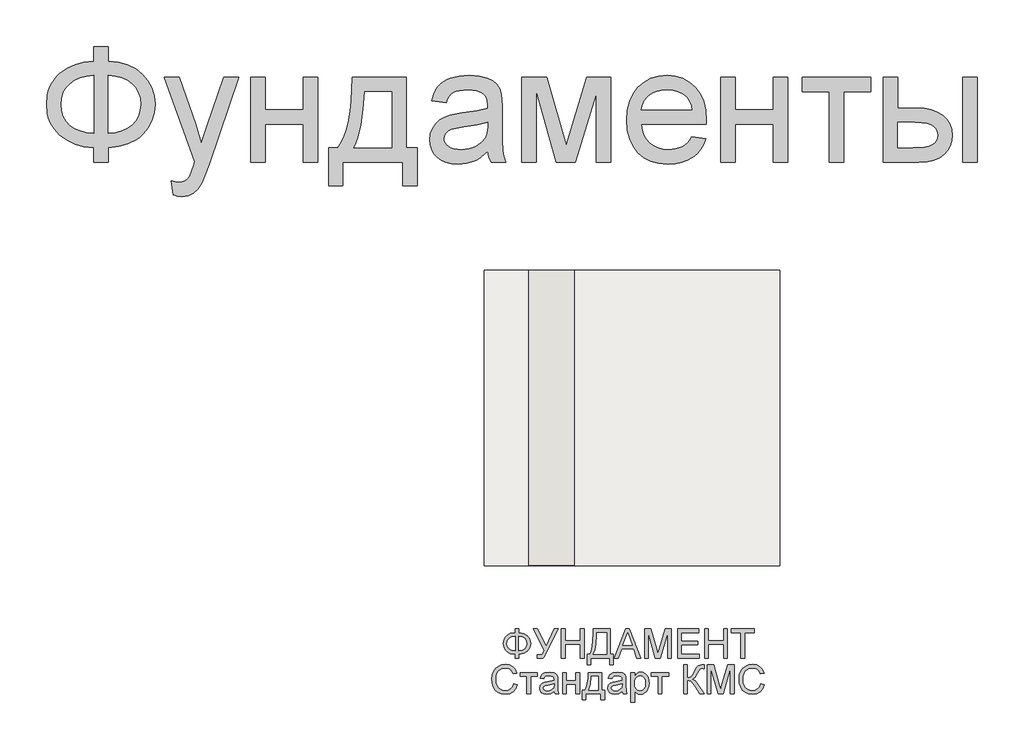
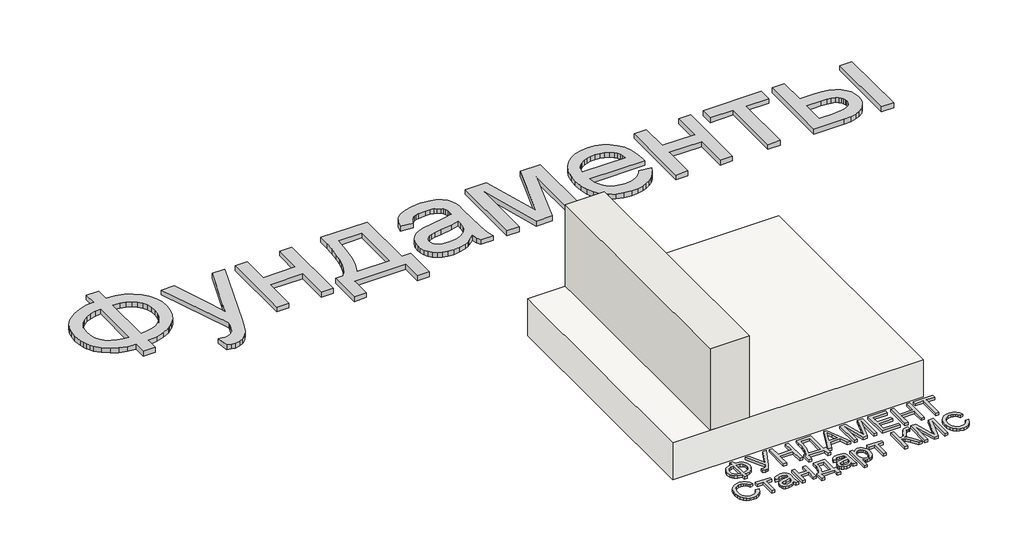
# One storey: 2 proxies, 1 slab, 1 wall.
"""IFC4 building model written with IfcOpenShell, lengths in millimetres."""

from ifc_helpers import new_model, si_unit, origin, origin_with_axes, place, context, project, spatial, polyline, outline, extrude, faceted_brep, element, save

model = new_model("IFC4")

# Units and contexts
model_context = context("Model", 3, world=origin())
ifc_project = project(units=[si_unit("LENGTHUNIT", "METRE", prefix="MILLI")], contexts=[model_context])

# Site, building, storey
site = spatial("IfcSite", under=ifc_project)
building = spatial("IfcBuilding", under=site)
storey = spatial("IfcBuildingStorey", under=building, Elevation=0.0)

# Proxies
placement = place(None, origin())
element("IfcBuildingElementProxy", 1, Name="Generic Models", at=placement, inside=storey, context=model_context, shape_type="SweptSolid", body=[
    extrude(outline(polyline([(-1939.8736325, -26885.7211043), (-1939.8736325, -26787.7817103), (-1841.9342386, -26787.7817103), (-1841.9342386, -26885.7211043), (-1772.0723186, -26894.3529698), (-1709.9695132, -26912.2144755), (-1655.6258224, -26939.3056213), (-1609.0412461, -26975.6264073), (-1571.6743546, -27019.0607113), (-1544.9837177, -27067.4924111), (-1528.9693356, -27120.9215067), (-1523.6312083, -27179.3479982), (-1528.8019587, -27236.6028514), (-1544.3142102, -27289.3863505), (-1570.1679625, -27337.6984954), (-1606.3632158, -27381.5392861), (-1628.1416397, -27401.1761824), (-1652.1109076, -27418.4817577), (-1706.6219753, -27446.0989452), (-1769.896419, -27464.3908486), (-1841.9342386, -27473.3574679), (-1841.9342386, -27571.2968619), (-1939.8736325, -27571.2968619), (-1939.8736325, -27473.3574679), (-2005.3060425, -27466.0586398), (-2065.0237272, -27449.518216), (-2119.0266865, -27423.7361966), (-2167.3149204, -27388.7125816), (-2207.0669327, -27345.8939854), (-2222.6837947, -27322.10405), (-2235.4612272, -27296.7270228), (-2245.3992303, -27269.7629041), (-2252.4978039, -27241.2116938), (-2258.1766628, -27179.3479982), (-2252.5157371, -27117.2033486), (-2245.4395801, -27088.5878775), (-2235.5329602, -27061.6103088), (-2222.7958774, -27036.2706426), (-2207.2283318, -27012.5688789), (-2188.8303234, -26990.5050176), (-2167.6018522, -26970.0790588), (-2119.4032845, -26935.3961753), (-2065.382392, -26909.775555), (-2005.5391746, -26893.217198), (-1939.8736325, -26885.7211043)]), holes=[polyline([(-1841.9342386, -26983.6604982), (-1841.9342386, -27375.418074), (-1793.3949393, -27370.2234125), (-1750.3073446, -27359.2303372), (-1712.6714545, -27342.4388481), (-1680.4872689, -27319.8489452), (-1654.7112272, -27291.9627591), (-1636.2997689, -27259.2824206), (-1625.2528939, -27221.8079296), (-1621.5706022, -27179.5392861), (-1625.1871387, -27137.922217), (-1636.036748, -27100.872146), (-1654.1194303, -27068.389073), (-1679.4351855, -27040.4729982), (-1711.2905951, -27017.6977852), (-1748.9922405, -27000.6372975), (-1792.5401216, -26989.2915352), (-1841.9342386, -26983.6604982)]), polyline([(-1939.8736325, -26983.6604982), (-1986.781007, -26988.5861611), (-2028.989873, -26999.3461043), (-2066.5002305, -27015.9403278), (-2099.3120795, -27038.3688316), (-2125.9668498, -27066.2012179), (-2145.0059715, -27099.0070891), (-2156.4294445, -27136.7864452), (-2160.2372689, -27179.5392861), (-2156.4772665, -27221.9035735), (-2145.1972594, -27259.4737085), (-2126.3972476, -27292.2496909), (-2100.077231, -27320.231521), (-2067.5044919, -27342.8692459), (-2029.9463124, -27359.612913), (-1987.4026926, -27370.4625224), (-1939.8736325, -27375.418074), (-1939.8736325, -26983.6604982)])]), origin_with_axes(), (0.0, 0.0, 1.0), 40.0),
    extrude(outline(polyline([(-1401.2069658, -27791.6604982), (-1413.4493901, -27697.355574), (-1386.764731, -27703.8115399), (-1363.7145416, -27705.9635285), (-1337.5559242, -27703.2615872), (-1317.2315871, -27695.1557634), (-1301.4025151, -27682.2199206), (-1288.7296931, -27665.0279225), (-1261.9493901, -27592.9123922), (-1254.2978749, -27569.1926952), (-1462.4190871, -26995.9029225), (-1359.1236325, -26995.9029225), (-1248.7505264, -27315.35368), (-1210.3016628, -27443.1339831), (-1171.8527992, -27330.2741346), (-1058.4190871, -26995.9029225), (-955.888784, -26995.9029225), (-1156.1671931, -27585.0695891), (-1185.9124583, -27663.4019755), (-1208.1974961, -27712.8498922), (-1234.8343333, -27753.6420323), (-1265.0099961, -27781.9048164), (-1300.0634999, -27798.403396), (-1341.3338598, -27803.9029225), (-1369.6922878, -27800.8423164), (-1401.2069658, -27791.6604982)])), origin_with_axes(), (0.0, 0.0, 1.0), 40.0),
    extrude(outline(polyline([(-874.7827234, -26995.9029225), (-776.8433295, -26995.9029225), (-776.8433295, -27216.2665588), (-519.7524204, -27216.2665588), (-519.7524204, -26995.9029225), (-421.8130264, -26995.9029225), (-421.8130264, -27571.2968619), (-519.7524204, -27571.2968619), (-519.7524204, -27314.2059528), (-776.8433295, -27314.2059528), (-776.8433295, -27571.2968619), (-874.7827234, -27571.2968619), (-874.7827234, -26995.9029225)])), origin_with_axes(), (0.0, 0.0, 1.0), 40.0),
    extrude(outline(polyline([(-189.2069658, -26995.9029225), (178.0657614, -26995.9029225), (178.0657614, -27473.3574679), (251.5203069, -27473.3574679), (251.5203069, -27730.448377), (153.5809129, -27730.448377), (153.5809129, -27571.2968619), (-250.4190871, -27571.2968619), (-250.4190871, -27730.448377), (-348.358481, -27730.448377), (-348.358481, -27473.3574679), (-287.1463598, -27473.3574679), (-263.2293972, -27436.3970631), (-242.648017, -27392.9448259), (-225.4022192, -27343.0007563), (-211.4920037, -27286.5648543), (-200.9173707, -27223.6371199), (-193.67832, -27154.2175531), (-189.7748517, -27078.306154), (-189.2069658, -26995.9029225)]), holes=[polyline([(-103.5099961, -27093.8423164), (-111.5440871, -27213.7559054), (-126.4645416, -27316.979627), (-148.2713598, -27403.5134812), (-161.7571552, -27440.521708), (-176.9645416, -27473.3574679), (80.1263675, -27473.3574679), (80.1263675, -27093.8423164), (-103.5099961, -27093.8423164)])]), origin_with_axes(), (0.0, 0.0, 1.0), 40.0),
    extrude(outline(polyline([(728.9748523, -27497.8423164), (682.181055, -27537.964949), (658.2640924, -27552.8256261), (634.0004205, -27564.2192103), (583.3330436, -27578.7092672), (529.079019, -27583.5392861), (485.4713604, -27580.6341014), (447.2317179, -27571.9185475), (414.3600914, -27557.3926242), (386.8564811, -27537.0563316), (365.1393291, -27512.2008628), (349.6270777, -27484.1174111), (340.3197269, -27452.8059764), (337.2172766, -27418.2665588), (341.9038296, -27377.6657066), (355.9634887, -27340.7949679), (377.650752, -27309.2324679), (405.2201175, -27284.5563316), (437.619502, -27265.9057634), (473.796822, -27252.4199679), (558.5373523, -27237.6908013), (658.6765569, -27222.1964831), (728.4009887, -27204.0241346), (728.9748523, -27182.2173164), (727.2891279, -27158.4737085), (722.2319546, -27138.5080361), (713.8033325, -27122.3202994), (702.0032614, -27109.9104982), (681.6071914, -27097.5246081), (656.7636781, -27088.6775437), (627.4727217, -27083.369305), (593.734322, -27081.5998922), (535.391519, -27086.3103562), (512.8195493, -27092.1984362), (494.6472008, -27100.4417482), (479.7147908, -27111.6858888), (466.8626364, -27126.5764547), (456.0907378, -27145.1134457), (447.3990948, -27167.2968619), (349.4597008, -27155.0544376), (366.4604111, -27101.4938316), (378.0990829, -27079.0175058), (391.829966, -27059.4104982), (408.2448571, -27042.2782776), (427.9355531, -27027.2263126), (450.902054, -27014.2546033), (477.1443599, -27003.3631497), (537.3283088, -26988.5861611), (606.359322, -26983.6604982), (672.5688391, -26988.0122975), (725.0534508, -27001.0676952), (764.6261307, -27020.6986138), (792.0998523, -27044.7769755), (810.3200228, -27074.5461516), (822.1320493, -27111.2495134), (825.718697, -27145.1074679), (826.9142463, -27196.9464831), (826.9142463, -27318.7968619), (828.1576175, -27424.9377236), (831.8877311, -27488.94743), (839.2523145, -27531.0068524), (851.3990948, -27571.2968619), (753.4597008, -27571.2968619), (737.7740948, -27537.2476194), (728.9748523, -27497.8423164)]), holes=[polyline([(728.9748523, -27301.9635285), (663.171822, -27318.2708202), (570.9710645, -27331.9957255), (520.1602217, -27339.5037747), (486.7087539, -27347.8726194), (464.7823807, -27358.7282066), (448.546822, -27373.6964831), (438.5042084, -27391.6297217), (435.1566705, -27411.3801952), (436.9798831, -27426.599537), (442.4495209, -27440.5037747), (451.5655839, -27453.0929083), (464.328072, -27464.3669376), (480.6174305, -27473.6563552), (500.3141042, -27480.2916535), (549.9293978, -27485.5998922), (602.5335645, -27479.7417009), (626.5401932, -27472.4189618), (649.016519, -27462.167127), (686.7002311, -27436.2715304), (712.9066705, -27405.450271), (724.5274092, -27373.6964831), (728.4009887, -27329.700271), (728.9748523, -27301.9635285)])]), origin_with_axes(), (0.0, 0.0, 1.0), 40.0),
    extrude(outline(polyline([(961.5809129, -26995.9029225), (1130.1055342, -26995.9029225), (1259.9900039, -27456.5241346), (1400.0127311, -26995.9029225), (1561.4597008, -26995.9029225), (1561.4597008, -27571.2968619), (1463.5203069, -27571.2968619), (1463.5203069, -27107.9976194), (1322.7324281, -27571.2968619), (1194.1869736, -27571.2968619), (1059.5203069, -27085.8082255), (1059.5203069, -27571.2968619), (961.5809129, -27571.2968619), (961.5809129, -26995.9029225)])), origin_with_axes(), (0.0, 0.0, 1.0), 40.0),
    extrude(outline(polyline([(2111.2210645, -27399.9029225), (2207.2475796, -27412.1453467), (2192.5243907, -27450.6061658), (2172.6483845, -27484.4999869), (2147.6195611, -27513.8268098), (2117.4379205, -27538.5866346), (2082.4143055, -27558.2534196), (2042.8595588, -27572.3011232), (1998.7736805, -27580.7297454), (1950.1566705, -27583.5392861), (1889.3869025, -27578.6913339), (1835.2404773, -27564.1474774), (1787.717395, -27539.9077165), (1746.8176554, -27505.9720513), (1713.9280957, -27463.2849656), (1690.4355531, -27412.7909433), (1676.3400275, -27354.4899845), (1671.641519, -27288.3820891), (1676.3878495, -27220.0325389), (1690.626841, -27159.7888126), (1714.3584934, -27107.6509102), (1747.5828069, -27063.6188316), (1788.374947, -27028.6370607), (1834.8100796, -27003.6500816), (1886.8882046, -26988.6578941), (1944.609322, -26983.6604982), (2000.4713604, -26988.6459386), (2050.9892936, -27003.6022596), (2096.1631218, -27028.5294613), (2135.9928448, -27063.4275437), (2168.5058064, -27107.3639783), (2191.7293504, -27159.4062369), (2205.6634769, -27219.5543192), (2210.3081857, -27287.8082255), (2209.734322, -27314.2059528), (1769.5809129, -27314.2059528), (1775.2537941, -27353.2884575), (1786.5338012, -27387.5170323), (1803.4209343, -27416.8916772), (1825.9151932, -27441.4123922), (1852.773207, -27460.7444234), (1882.7516042, -27474.5530172), (1915.850385, -27482.8381734), (1952.0695493, -27485.5998922), (2004.1954963, -27480.4829414), (2048.0960645, -27465.1320891), (2066.9618315, -27453.3798401), (2083.7712539, -27438.590896), (2098.5243315, -27420.7652567), (2111.2210645, -27399.9029225)]), holes=[polyline([(1769.5809129, -27216.2665588), (2112.3687917, -27216.2665588), (2107.3355294, -27188.5537274), (2099.1221061, -27164.5231876), (2087.7285218, -27144.1749395), (2073.1547766, -27127.5089831), (2046.4462065, -27107.4237558), (2016.0553448, -27093.0771649), (1981.9821914, -27084.4692103), (1944.2267463, -27081.5998922), (1909.7889504, -27083.889369), (1878.2085171, -27090.7577994), (1849.4854466, -27102.2051834), (1823.6197387, -27118.231521), (1801.9145422, -27138.0955716), (1785.6730057, -27161.0560948), (1774.8951293, -27187.1130906), (1769.5809129, -27216.2665588)])]), origin_with_axes(), (0.0, 0.0, 1.0), 40.0),
    extrude(outline(polyline([(2308.2475796, -26995.9029225), (2406.1869736, -26995.9029225), (2406.1869736, -27216.2665588), (2663.2778826, -27216.2665588), (2663.2778826, -26995.9029225), (2761.2172766, -26995.9029225), (2761.2172766, -27571.2968619), (2663.2778826, -27571.2968619), (2663.2778826, -27314.2059528), (2406.1869736, -27314.2059528), (2406.1869736, -27571.2968619), (2308.2475796, -27571.2968619), (2308.2475796, -26995.9029225)])), origin_with_axes(), (0.0, 0.0, 1.0), 40.0),
    extrude(outline(polyline([(2859.1566705, -26995.9029225), (3324.3687917, -26995.9029225), (3324.3687917, -27093.8423164), (3140.7324281, -27093.8423164), (3140.7324281, -27571.2968619), (3042.7930342, -27571.2968619), (3042.7930342, -27093.8423164), (2859.1566705, -27093.8423164), (2859.1566705, -26995.9029225)])), origin_with_axes(), (0.0, 0.0, 1.0), 40.0),
    extrude(outline(polyline([(3948.7324281, -26995.9029225), (4046.671822, -26995.9029225), (4046.671822, -27571.2968619), (3948.7324281, -27571.2968619), (3948.7324281, -26995.9029225)])), origin_with_axes(), (0.0, 0.0, 1.0), 40.0),
    extrude(outline(polyline([(3410.0657614, -26995.9029225), (3508.0051554, -26995.9029225), (3508.0051554, -27204.0241346), (3629.0903826, -27204.0241346), (3684.8089551, -27207.0907184), (3733.7487633, -27216.2904698), (3775.9098074, -27231.6233888), (3811.2920872, -27253.0894755), (3839.2858727, -27279.9474892), (3859.2814338, -27311.4561895), (3871.2787704, -27347.6155763), (3875.2778826, -27388.4256497), (3871.924367, -27424.8361019), (3861.8638201, -27458.5087463), (3845.096242, -27489.443583), (3821.6216326, -27517.6406119), (3790.7824399, -27541.1152212), (3751.9211118, -27557.8827994), (3705.0376483, -27567.9433462), (3650.1320493, -27571.2968619), (3410.0657614, -27571.2968619), (3410.0657614, -26995.9029225)]), holes=[polyline([(3508.0051554, -27473.3574679), (3608.6225796, -27473.3574679), (3686.6202122, -27468.2166062), (3715.8274802, -27461.790529), (3738.5070493, -27452.794021), (3755.495804, -27441.0716606), (3767.6306289, -27426.4680266), (3774.9115237, -27408.983119), (3777.3384887, -27388.6169376), (3775.5391871, -27372.1542245), (3770.1412823, -27356.6240399), (3761.1447742, -27342.0263836), (3748.5496629, -27328.3612558), (3729.8094286, -27316.8122501), (3702.3775512, -27308.5629603), (3666.2540308, -27303.6133865), (3621.4388675, -27301.9635285), (3508.0051554, -27301.9635285), (3508.0051554, -27473.3574679)])]), origin_with_axes(), (0.0, 0.0, 1.0), 40.0),
])
element("IfcBuildingElementProxy", 2, Name="Generic Models", at=placement, inside=storey, context=model_context, shape_type="SweptSolid", body=[
    extrude(outline(polyline([(915.076747, -30757.0212243), (915.076747, -30732.4058397), (939.6921317, -30732.4058397), (939.6921317, -30757.0212243), (972.859199, -30763.6798782), (998.2257855, -30779.6173782), (1014.3255451, -30802.7063205), (1019.6921317, -30830.8193012), (1014.4938144, -30858.4755512), (998.8988624, -30881.6366089), (973.7005451, -30897.8625705), (939.6921317, -30904.713532), (939.6921317, -30929.3289166), (915.076747, -30929.3289166), (915.076747, -30904.713532), (883.6224201, -30898.7219455), (857.9132855, -30883.4394936), (847.9222999, -30872.6777748), (840.7858817, -30860.3205032), (835.076747, -30830.8193012), (840.7678528, -30801.2279551), (847.881735, -30788.9022339), (857.8411701, -30778.2231474), (883.5322759, -30763.0668974), (915.076747, -30757.0212243)]), holes=[polyline([(939.6921317, -30781.6366089), (939.6921317, -30880.0981474), (962.7209778, -30876.0296378), (980.2690547, -30866.1318012), (991.374824, -30850.9094455), (995.076747, -30830.8673782), (991.4409297, -30811.0957436), (980.5334778, -30795.9154551), (963.0515067, -30785.9034359), (939.6921317, -30781.6366089)]), polyline([(915.076747, -30781.6366089), (892.6789105, -30785.5789166), (875.0046317, -30795.3866089), (863.5202567, -30810.6269936), (859.6921317, -30830.8673782), (863.4721797, -30850.9575224), (874.812324, -30866.2279551), (892.4385259, -30876.1257916), (915.076747, -30880.0981474), (915.076747, -30781.6366089)])]), origin_with_axes(), (0.0, 0.0, 1.0), 20.0),
    extrude(outline(polyline([(1039.6921317, -30732.4058397), (1066.951747, -30732.4058397), (1125.8459778, -30849.0404551), (1178.826747, -30732.4058397), (1205.8459778, -30732.4058397), (1131.0863624, -30885.8193012), (1110.749824, -30923.5116089), (1101.0983817, -30930.182282), (1088.0094394, -30932.4058397), (1065.8459778, -30929.3289166), (1065.8459778, -30907.7904551), (1085.2209778, -30907.7904551), (1099.5959778, -30902.3096859), (1112.9132855, -30877.3577628), (1039.6921317, -30732.4058397)])), origin_with_axes(), (0.0, 0.0, 1.0), 20.0),
    extrude(outline(polyline([(1228.9229009, -30929.3289166), (1228.9229009, -30732.4058397), (1253.5382855, -30732.4058397), (1253.5382855, -30812.4058397), (1358.1536701, -30812.4058397), (1358.1536701, -30732.4058397), (1382.7690547, -30732.4058397), (1382.7690547, -30929.3289166), (1358.1536701, -30929.3289166), (1358.1536701, -30837.0212243), (1253.5382855, -30837.0212243), (1253.5382855, -30929.3289166), (1228.9229009, -30929.3289166)])), origin_with_axes(), (0.0, 0.0, 1.0), 20.0),
    extrude(outline(polyline([(1444.3075163, -30732.4058397), (1561.2305932, -30732.4058397), (1561.2305932, -30904.713532), (1579.6921317, -30904.713532), (1579.6921317, -30975.4827628), (1555.076747, -30975.4827628), (1555.076747, -30929.3289166), (1428.9229009, -30929.3289166), (1428.9229009, -30975.4827628), (1404.3075163, -30975.4827628), (1404.3075163, -30904.713532), (1419.6921317, -30904.713532), (1430.4613624, -30882.3848061), (1438.1536701, -30850.9755512), (1442.7690547, -30810.4857676), (1444.3075163, -30760.9154551), (1444.3075163, -30732.4058397)]), holes=[polyline([(1536.6152086, -30757.0212243), (1468.9229009, -30757.0212243), (1468.9229009, -30766.9250705), (1463.9229009, -30834.3769936), (1456.5190547, -30873.3553589), (1444.3075163, -30904.713532), (1536.6152086, -30904.713532), (1536.6152086, -30757.0212243)])]), origin_with_axes(), (0.0, 0.0, 1.0), 20.0),
    extrude(outline(polyline([(1587.5286701, -30929.3289166), (1666.1344394, -30732.4058397), (1687.0959778, -30732.4058397), (1765.701747, -30929.3289166), (1739.6921317, -30929.3289166), (1717.1440547, -30867.7904551), (1636.0382855, -30867.7904551), (1613.5382855, -30929.3289166), (1587.5286701, -30929.3289166)]), holes=[polyline([(1645.076747, -30843.1750705), (1708.1536701, -30843.1750705), (1690.4132855, -30794.7616089), (1676.6152086, -30757.0212243), (1664.3555932, -30790.5308397), (1645.076747, -30843.1750705)])]), origin_with_axes(), (0.0, 0.0, 1.0), 20.0),
    extrude(outline(polyline([(1791.999824, -30929.3289166), (1791.999824, -30732.4058397), (1834.3555932, -30732.4058397), (1874.6440547, -30871.2039166), (1882.7690547, -30900.1943012), (1891.5671317, -30868.8000705), (1931.1825163, -30732.4058397), (1973.5382855, -30732.4058397), (1973.5382855, -30929.3289166), (1948.9229009, -30929.3289166), (1948.9229009, -30757.0212243), (1899.451747, -30929.3289166), (1866.0863624, -30929.3289166), (1816.6152086, -30757.0212243), (1816.6152086, -30929.3289166), (1791.999824, -30929.3289166)])), origin_with_axes(), (0.0, 0.0, 1.0), 20.0),
    extrude(outline(polyline([(2016.6152086, -30929.3289166), (2016.6152086, -30732.4058397), (2158.1536701, -30732.4058397), (2158.1536701, -30757.0212243), (2041.2305932, -30757.0212243), (2041.2305932, -30815.4827628), (2151.999824, -30815.4827628), (2151.999824, -30840.0981474), (2041.2305932, -30840.0981474), (2041.2305932, -30904.713532), (2161.2305932, -30904.713532), (2161.2305932, -30929.3289166), (2016.6152086, -30929.3289166)])), origin_with_axes(), (0.0, 0.0, 1.0), 20.0),
    extrude(outline(polyline([(2198.1536701, -30929.3289166), (2198.1536701, -30732.4058397), (2222.7690547, -30732.4058397), (2222.7690547, -30812.4058397), (2327.3844394, -30812.4058397), (2327.3844394, -30732.4058397), (2351.999824, -30732.4058397), (2351.999824, -30929.3289166), (2327.3844394, -30929.3289166), (2327.3844394, -30837.0212243), (2222.7690547, -30837.0212243), (2222.7690547, -30929.3289166), (2198.1536701, -30929.3289166)])), origin_with_axes(), (0.0, 0.0, 1.0), 20.0),
    extrude(outline(polyline([(2444.3075163, -30929.3289166), (2444.3075163, -30757.0212243), (2379.6921317, -30757.0212243), (2379.6921317, -30732.4058397), (2533.5382855, -30732.4058397), (2533.5382855, -30757.0212243), (2468.9229009, -30757.0212243), (2468.9229009, -30929.3289166), (2444.3075163, -30929.3289166)])), origin_with_axes(), (0.0, 0.0, 1.0), 20.0),
    extrude(outline(polyline([(905.8459778, -31102.4058397), (930.4613624, -31108.7519936), (919.1031894, -31137.4358878), (901.2786701, -31158.3914166), (877.8652086, -31171.2099262), (849.7402086, -31175.4827628), (821.1885259, -31172.2495897), (798.514247, -31162.5500705), (781.1344394, -31146.7207436), (768.4661701, -31125.0981474), (760.7317951, -31099.6774743), (758.1536701, -31072.4539166), (761.0683336, -31043.7399743), (769.812324, -31018.9443012), (783.9289105, -30998.854157), (802.9613624, -30984.2568012), (825.5334778, -30975.3685801), (850.2690547, -30972.4058397), (877.2582374, -30976.2399743), (899.5719394, -30987.7423782), (916.5130451, -31006.2039166), (927.3844394, -31030.9154551), (902.7690547, -31036.7808397), (894.2354009, -31018.8301186), (882.576747, -31006.5164166), (867.6488624, -30999.3950224), (849.3075163, -30997.0212243), (828.1656894, -30999.6534359), (810.7979009, -31007.5500705), (797.6188144, -31019.8818012), (789.0430932, -31035.8193012), (784.3375644, -31053.8361282), (782.7690547, -31072.4058397), (784.6260259, -31095.1462243), (790.1969394, -31114.8096859), (799.6921317, -31130.6450224), (813.3219394, -31141.901032), (829.6620836, -31148.6257916), (847.2882855, -31150.8673782), (867.8351605, -31147.8144936), (884.9565547, -31138.6558397), (897.8832374, -31123.4875705), (905.8459778, -31102.4058397)])), origin_with_axes(), (0.0, 0.0, 1.0), 20.0),
    extrude(outline(polyline([(948.9229009, -31027.7904551), (1065.8459778, -31027.7904551), (1065.8459778, -31052.4058397), (1019.6921317, -31052.4058397), (1019.6921317, -31172.4058397), (995.076747, -31172.4058397), (995.076747, -31052.4058397), (948.9229009, -31052.4058397), (948.9229009, -31027.7904551)])), origin_with_axes(), (0.0, 0.0, 1.0), 20.0),
    extrude(outline(polyline([(1179.6921317, -31153.9443012), (1155.8219394, -31170.6269936), (1129.451747, -31175.4827628), (1108.8808336, -31172.5620897), (1093.7065547, -31163.8000705), (1084.3495836, -31150.494782), (1081.2305932, -31133.9443012), (1085.9421317, -31114.4731474), (1098.3219394, -31100.338532), (1115.5575163, -31092.2616089), (1136.8555932, -31088.5596859), (1179.5479009, -31080.0981474), (1179.6921317, -31074.6173782), (1177.9974201, -31063.6318012), (1172.9132855, -31056.4443012), (1161.5430932, -31051.1077628), (1145.701747, -31049.3289166), (1120.7979009, -31054.0644936), (1113.8147278, -31060.6330032), (1108.9229009, -31070.8673782), (1084.3075163, -31067.7904551), (1094.9565547, -31043.7519936), (1104.031074, -31035.6630512), (1116.3988624, -31029.6654551), (1148.874824, -31024.713532), (1178.7065547, -31029.088532), (1195.5575163, -31040.0741089), (1203.1055932, -31056.7808397), (1204.3075163, -31078.3193012), (1204.3075163, -31108.9443012), (1205.5575163, -31151.7087243), (1210.4613624, -31172.4058397), (1185.8459778, -31172.4058397), (1179.6921317, -31153.9443012)]), holes=[polyline([(1179.6921317, -31104.713532), (1139.9805932, -31112.2616089), (1118.8027086, -31116.2519936), (1109.2113624, -31122.7423782), (1105.8459778, -31132.213532), (1107.6789105, -31139.5332436), (1113.1777086, -31145.5308397), (1122.2221797, -31149.5332436), (1134.6921317, -31150.8673782), (1147.9132855, -31149.3950224), (1159.5959778, -31144.9779551), (1175.6536701, -31130.7231474), (1179.5479009, -31111.6846859), (1179.6921317, -31104.713532)])]), origin_with_axes(), (0.0, 0.0, 1.0), 20.0),
    extrude(outline(polyline([(1238.1536701, -31027.7904551), (1262.7690547, -31027.7904551), (1262.7690547, -31083.1750705), (1327.3844394, -31083.1750705), (1327.3844394, -31027.7904551), (1351.999824, -31027.7904551), (1351.999824, -31172.4058397), (1327.3844394, -31172.4058397), (1327.3844394, -31107.7904551), (1262.7690547, -31107.7904551), (1262.7690547, -31172.4058397), (1238.1536701, -31172.4058397), (1238.1536701, -31027.7904551)])), origin_with_axes(), (0.0, 0.0, 1.0), 20.0),
    extrude(outline(polyline([(1410.4613624, -31027.7904551), (1502.7690547, -31027.7904551), (1502.7690547, -31147.7904551), (1521.2305932, -31147.7904551), (1521.2305932, -31212.4058397), (1496.6152086, -31212.4058397), (1496.6152086, -31172.4058397), (1395.076747, -31172.4058397), (1395.076747, -31212.4058397), (1370.4613624, -31212.4058397), (1370.4613624, -31147.7904551), (1385.8459778, -31147.7904551), (1397.029872, -31127.5801186), (1404.8604009, -31100.8433397), (1409.3375644, -31067.5801186), (1410.4613624, -31027.7904551)]), holes=[polyline([(1431.999824, -31052.4058397), (1426.2305932, -31108.4875705), (1413.5382855, -31147.7904551), (1478.1536701, -31147.7904551), (1478.1536701, -31052.4058397), (1431.999824, -31052.4058397)])]), origin_with_axes(), (0.0, 0.0, 1.0), 20.0),
    extrude(outline(polyline([(1641.2305932, -31153.9443012), (1617.3604009, -31170.6269936), (1590.9902086, -31175.4827628), (1570.4192951, -31172.5620897), (1555.2450163, -31163.8000705), (1545.8880451, -31150.494782), (1542.7690547, -31133.9443012), (1547.4805932, -31114.4731474), (1559.8604009, -31100.338532), (1577.0959778, -31092.2616089), (1598.3940547, -31088.5596859), (1641.0863624, -31080.0981474), (1641.2305932, -31074.6173782), (1639.5358817, -31063.6318012), (1634.451747, -31056.4443012), (1623.0815547, -31051.1077628), (1607.2402086, -31049.3289166), (1582.3363624, -31054.0644936), (1575.3531894, -31060.6330032), (1570.4613624, -31070.8673782), (1545.8459778, -31067.7904551), (1556.4950163, -31043.7519936), (1565.5695355, -31035.6630512), (1577.937324, -31029.6654551), (1610.4132855, -31024.713532), (1640.2450163, -31029.088532), (1657.0959778, -31040.0741089), (1664.6440547, -31056.7808397), (1665.8459778, -31078.3193012), (1665.8459778, -31108.9443012), (1667.0959778, -31151.7087243), (1671.999824, -31172.4058397), (1647.3844394, -31172.4058397), (1641.2305932, -31153.9443012)]), holes=[polyline([(1641.2305932, -31104.713532), (1601.5190547, -31112.2616089), (1580.3411701, -31116.2519936), (1570.749824, -31122.7423782), (1567.3844394, -31132.213532), (1569.217372, -31139.5332436), (1574.7161701, -31145.5308397), (1583.7606413, -31149.5332436), (1596.2305932, -31150.8673782), (1609.451747, -31149.3950224), (1621.1344394, -31144.9779551), (1637.1921317, -31130.7231474), (1641.0863624, -31111.6846859), (1641.2305932, -31104.713532)])]), origin_with_axes(), (0.0, 0.0, 1.0), 20.0),
    extrude(outline(polyline([(1699.6921317, -31227.7904551), (1699.6921317, -31027.7904551), (1724.3075163, -31027.7904551), (1724.3075163, -31051.9250705), (1741.326747, -31031.5164166), (1751.8075163, -31026.4142532), (1764.3075163, -31024.713532), (1780.9541509, -31027.0933397), (1795.5094394, -31034.2327628), (1807.3604009, -31045.6991089), (1815.8940547, -31061.0596859), (1821.0503047, -31079.1967051), (1822.7690547, -31098.9923782), (1820.827949, -31120.0440609), (1815.0046317, -31138.8721859), (1805.4854009, -31154.5212243), (1792.4565547, -31166.0356474), (1777.2822759, -31173.1209839), (1761.326747, -31175.4827628), (1750.0106413, -31173.9022339), (1739.9084778, -31169.1606474), (1724.3075163, -31153.1750705), (1724.3075163, -31227.7904551), (1699.6921317, -31227.7904551)]), holes=[polyline([(1724.3075163, -31101.2519936), (1726.9697759, -31123.3193012), (1734.9565547, -31138.7519936), (1746.7414105, -31147.838532), (1760.7979009, -31150.8673782), (1775.0827567, -31147.7303589), (1787.1680932, -31138.3193012), (1795.4072759, -31122.3217051), (1798.1536701, -31099.4250705), (1795.4733817, -31077.4779551), (1787.4325163, -31061.8289166), (1775.6656894, -31052.4539166), (1761.8075163, -31049.3289166), (1747.8952567, -31052.6522339), (1735.6777086, -31062.6221859), (1727.1500644, -31078.9262724), (1724.3075163, -31101.2519936)])]), origin_with_axes(), (0.0, 0.0, 1.0), 20.0),
    extrude(outline(polyline([(1838.1536701, -31027.7904551), (1955.076747, -31027.7904551), (1955.076747, -31052.4058397), (1908.9229009, -31052.4058397), (1908.9229009, -31172.4058397), (1884.3075163, -31172.4058397), (1884.3075163, -31052.4058397), (1838.1536701, -31052.4058397), (1838.1536701, -31027.7904551)])), origin_with_axes(), (0.0, 0.0, 1.0), 20.0),
    extrude(outline(polyline([(2056.6152086, -30975.4827628), (2081.2305932, -30975.4827628), (2081.2305932, -31061.6366089), (2097.8952567, -31060.0080032), (2108.7546317, -31055.1221859), (2117.5346797, -31043.6257916), (2127.9613624, -31022.1654551), (2141.5430932, -30994.6414166), (2156.9277086, -30981.0116089), (2178.9229009, -30975.4827628), (2195.076747, -30975.7712243), (2195.076747, -31000.3866089), (2189.6440547, -31000.2423782), (2184.2113624, -31000.0981474), (2172.937324, -31001.5765128), (2164.9805932, -31006.0116089), (2150.3652086, -31031.3481474), (2132.937324, -31062.213532), (2115.9421317, -31072.4058397), (2134.9445355, -31083.5356474), (2153.6825163, -31106.7327628), (2195.076747, -31172.4058397), (2166.5190547, -31172.4058397), (2131.5190547, -31116.9250705), (2106.8796317, -31087.9587243), (2095.5034297, -31082.0632916), (2081.2305932, -31080.0981474), (2081.2305932, -31172.4058397), (2056.6152086, -31172.4058397), (2056.6152086, -30975.4827628)])), origin_with_axes(), (0.0, 0.0, 1.0), 20.0),
    extrude(outline(polyline([(2216.6152086, -31172.4058397), (2216.6152086, -30975.4827628), (2258.9709778, -30975.4827628), (2299.2594394, -31114.2808397), (2307.3844394, -31143.2712243), (2316.1825163, -31111.8769936), (2355.7979009, -30975.4827628), (2398.1536701, -30975.4827628), (2398.1536701, -31172.4058397), (2373.5382855, -31172.4058397), (2373.5382855, -31000.0981474), (2324.0671317, -31172.4058397), (2290.701747, -31172.4058397), (2241.2305932, -31000.0981474), (2241.2305932, -31172.4058397), (2216.6152086, -31172.4058397)])), origin_with_axes(), (0.0, 0.0, 1.0), 20.0),
    extrude(outline(polyline([(2579.6921317, -31102.4058397), (2604.3075163, -31108.7519936), (2592.9493432, -31137.4358878), (2575.124824, -31158.3914166), (2551.7113624, -31171.2099262), (2523.5863624, -31175.4827628), (2495.0346797, -31172.2495897), (2472.3604009, -31162.5500705), (2454.9805932, -31146.7207436), (2442.312324, -31125.0981474), (2434.577949, -31099.6774743), (2431.999824, -31072.4539166), (2434.9144874, -31043.7399743), (2443.6584778, -31018.9443012), (2457.7750644, -30998.854157), (2476.8075163, -30984.2568012), (2499.3796317, -30975.3685801), (2524.1152086, -30972.4058397), (2551.1043913, -30976.2399743), (2573.4180932, -30987.7423782), (2590.359199, -31006.2039166), (2601.2305932, -31030.9154551), (2576.6152086, -31036.7808397), (2568.0815547, -31018.8301186), (2556.4229009, -31006.5164166), (2541.4950163, -30999.3950224), (2523.1536701, -30997.0212243), (2502.0118432, -30999.6534359), (2484.6440547, -31007.5500705), (2471.4649682, -31019.8818012), (2462.889247, -31035.8193012), (2458.1837182, -31053.8361282), (2456.6152086, -31072.4058397), (2458.4721797, -31095.1462243), (2464.0430932, -31114.8096859), (2473.5382855, -31130.6450224), (2487.1680932, -31141.901032), (2503.5082374, -31148.6257916), (2521.1344394, -31150.8673782), (2541.6813144, -31147.8144936), (2558.8027086, -31138.6558397), (2571.7293913, -31123.4875705), (2579.6921317, -31102.4058397)])), origin_with_axes(), (0.0, 0.0, 1.0), 20.0),
])

# Slab
element("IfcSlab", 3, at=placement, inside=storey, context=model_context, shape_type="Brep", body=[
    faceted_brep([(706.3955952, -28302.6148653, -311.0), (2706.3955952, -28302.6148653, -311.0), (2706.3955952, -30302.6148653, -311.0), (706.3955952, -30302.6148653, -311.0), (706.3955952, -28302.6148653, 0.0), (706.3955952, -30302.6148653, 0.0), (1006.3955952, -30302.6148653, 0.0), (1317.3955952, -30302.6148653, 0.0), (2706.3955952, -30302.6148653, 0.0), (2706.3955952, -28302.6148653, 0.0), (1317.3955952, -28302.6148653, 0.0), (1006.3955952, -28302.6148653, 0.0)], [[[0, 1, 2, 3]], [[4, 5, 6, 7, 8, 9, 10, 11]], [[1, 0, 4, 11, 10, 9]], [[2, 1, 9, 8]], [[3, 2, 8, 7, 6, 5]], [[0, 3, 5, 4]]]),
])

# Wall
element("IfcWall", 4, at=placement, inside=storey, context=model_context, shape_type="SweptSolid", body=[
    extrude(outline(polyline([(1006.3955952, -30302.6148653), (1006.3955952, -28302.6148653), (1317.3955952, -28302.6148653), (1317.3955952, -30302.6148653), (1006.3955952, -30302.6148653)])), origin_with_axes(), (0.0, 0.0, 1.0), 689.0),
])

save(model, "model.ifc")
